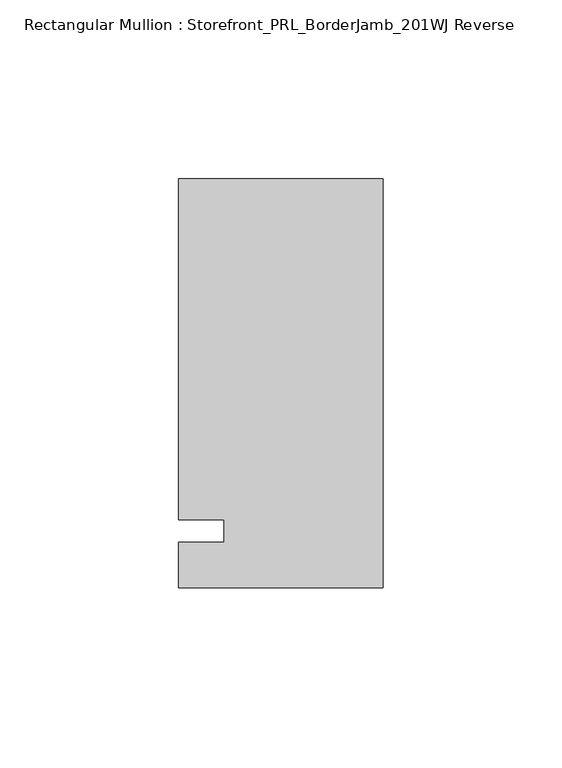
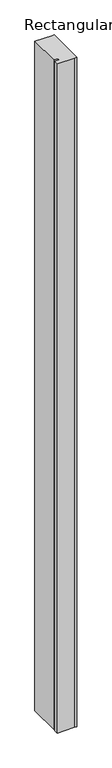
"""IFC4 building model written with IfcOpenShell, lengths in millimetres: member geometry, Rectangular Mullion : Storefront_PRL_BorderJamb_201WJ Reverse."""

import ifcopenshell
import ifcopenshell.guid

model = None  # the IFC model being written
_history = None  # IfcOwnerHistory: only IFC2X3 demands one
_inside = {}  # id of a spatial element -> (the spatial element, [elements in it])
_under = {}  # id of a project, library or spatial element -> (it, [spatial elements below it])
_declared = {}  # id of a project -> (the project, [libraries it declares])
_typed = {}  # id of a type object -> (the type object, [elements of that type])
_made_of = {}  # id of a material, layer set ... -> (it, [elements and type objects made of it])


def new_model(schema):
    """Start an empty IFC model of exactly this schema.

    Asked for "IFC4X3", IfcOpenShell would pick the latest addendum, in which some entities
    have other attributes; the version numbers below select the first issue.
    IFC2X3 requires an IfcOwnerHistory on every rooted entity: one is made here for all.
    """
    global model, _history
    if schema == "IFC4X3":
        model = ifcopenshell.file(schema_version=(4, 3, 0, 0))
    else:
        model = ifcopenshell.file(schema=schema)
    _inside.clear()
    _under.clear()
    _declared.clear()
    _typed.clear()
    _made_of.clear()
    _history = None
    if model.schema == "IFC2X3":
        org = make("IfcOrganization", Name="unknown")
        user = make(
            "IfcPersonAndOrganization",
            ThePerson=make("IfcPerson", FamilyName="unknown"),
            TheOrganization=org,
        )
        app = make(
            "IfcApplication",
            ApplicationDeveloper=org,
            Version="unknown",
            ApplicationFullName="unknown",
            ApplicationIdentifier="unknown",
        )
        _history = make(
            "IfcOwnerHistory",
            OwningUser=user,
            OwningApplication=app,
            ChangeAction="ADDED",
            CreationDate=0,
        )
    return model


def make(cls, **values):
    """One entity of the class cls with the attributes given. An attribute that is None is left unset."""
    return model.create_entity(
        cls, **{name: value for name, value in values.items() if value is not None}
    )


def rooted(cls, **values):
    """An entity with a GlobalId (a new one), such as an element, a storey or a relation."""
    return make(cls, GlobalId=ifcopenshell.guid.new(), OwnerHistory=_history, **values)


def si_unit(unit_type, name, prefix=None):
    """IfcSIUnit, for example si_unit("LENGTHUNIT", "METRE", prefix="MILLI")."""
    return make("IfcSIUnit", UnitType=unit_type, Prefix=prefix, Name=name)


def assignment(units):
    """IfcUnitAssignment: the units of a project."""
    return None if units is None else make("IfcUnitAssignment", Units=units)


def point(xyz):
    """IfcCartesianPoint."""
    return None if xyz is None else make("IfcCartesianPoint", Coordinates=xyz)


def direction(xyz):
    """IfcDirection."""
    return None if xyz is None else make("IfcDirection", DirectionRatios=xyz)


def frame(location, z_axis=None, x_axis=None):
    """IfcAxis2Placement3D, a coordinate frame: its origin and axes. An axis left out is left unset."""
    return make(
        "IfcAxis2Placement3D",
        Location=point(location),
        Axis=direction(z_axis),
        RefDirection=direction(x_axis),
    )


def origin():
    """The frame at (0, 0, 0) with its axes left unset."""
    return frame((0.0, 0.0, 0.0))


def place(relative_to, where):
    """IfcLocalPlacement: puts the frame where relative to a parent placement (None: the world)."""
    return make(
        "IfcLocalPlacement", PlacementRelTo=relative_to, RelativePlacement=where
    )


def context(
    kind, dimensions, precision=None, world=None, true_north=None, identifier=None
):
    """IfcGeometricRepresentationContext, for example the 3D "Model" context."""
    return make(
        "IfcGeometricRepresentationContext",
        ContextIdentifier=identifier,
        ContextType=kind,
        CoordinateSpaceDimension=dimensions,
        Precision=precision,
        WorldCoordinateSystem=world,
        TrueNorth=true_north,
    )


def project(units=None, contexts=None):
    """IfcProject with its units and contexts."""
    return rooted(
        "IfcProject",
        Name="project",
        RepresentationContexts=contexts,
        UnitsInContext=assignment(units),
    )


def spatial(cls, under=None, at=None, **own):
    """A site, building, storey or space (cls), placed at a placement, below another one or the project."""
    s = rooted(cls, ObjectPlacement=at, **own)
    if under is not None:
        _under.setdefault(under.id(), (under, []))[1].append(s)
    return s


def polyline(points):
    """IfcPolyline through the points."""
    return make("IfcPolyline", Points=[point(p) for p in points])


def outline(outer, holes=None, kind="AREA"):
    """IfcArbitraryClosedProfileDef: a profile drawn as a closed curve; with holes, ...WithVoids."""
    if holes is None:
        return make("IfcArbitraryClosedProfileDef", ProfileType=kind, OuterCurve=outer)
    return make(
        "IfcArbitraryProfileDefWithVoids",
        ProfileType=kind,
        OuterCurve=outer,
        InnerCurves=holes,
    )


def extrude(swept, where, along, depth):
    """IfcExtrudedAreaSolid: the profile swept, set in the frame where, extruded along a direction by depth."""
    return make(
        "IfcExtrudedAreaSolid",
        SweptArea=swept,
        Position=where,
        ExtrudedDirection=direction(along),
        Depth=depth,
    )


def shape(context_of_items, identifier, shape_type, items):
    """IfcShapeRepresentation: the items that make up one representation, for example the "Body"."""
    return make(
        "IfcShapeRepresentation",
        ContextOfItems=context_of_items,
        RepresentationIdentifier=identifier,
        RepresentationType=shape_type,
        Items=items,
    )


def source(mapping_origin, context_of_items, identifier, shape_type, items):
    """IfcRepresentationMap: a shape defined once, which mapped items show again and again."""
    return make(
        "IfcRepresentationMap",
        MappingOrigin=mapping_origin,
        MappedRepresentation=shape(context_of_items, identifier, shape_type, items),
    )


def transform(
    local_origin,
    x_axis=None,
    y_axis=None,
    z_axis=None,
    scale=None,
    scale2=None,
    scale3=None,
    uniform=True,
):
    """IfcCartesianTransformationOperator3D, or its non-uniform kind. x_axis, y_axis, z_axis: its Axis1, 2, 3."""
    if uniform:
        return make(
            "IfcCartesianTransformationOperator3D",
            Axis1=direction(x_axis),
            Axis2=direction(y_axis),
            LocalOrigin=point(local_origin),
            Scale=scale,
            Axis3=direction(z_axis),
        )
    return make(
        "IfcCartesianTransformationOperator3DnonUniform",
        Axis1=direction(x_axis),
        Axis2=direction(y_axis),
        LocalOrigin=point(local_origin),
        Scale=scale,
        Axis3=direction(z_axis),
        Scale2=scale2,
        Scale3=scale3,
    )


def mapped(mapping_source, mapping_target):
    """IfcMappedItem: shows the shape of a source again, moved by a transform."""
    return make(
        "IfcMappedItem", MappingSource=mapping_source, MappingTarget=mapping_target
    )


def made_of(thing, what):
    """Note that an element or type object is made of a material, layer set ...; save() writes the relation."""
    if what is not None:
        _made_of.setdefault(what.id(), (what, []))[1].append(thing)
    return thing


def element(
    cls,
    number,
    at=None,
    inside=None,
    cuts=None,
    type_object=None,
    material=None,
    context=None,
    identifier="Body",
    shape_type=None,
    held_by="IfcProductDefinitionShape",
    body=None,
    shapes=None,
    **own,
):
    """One element of the class cls, such as IfcWall. Its Tag is "e" and its number.

    at: its placement. inside: the storey or other place that contains it. cuts: it is an
    opening in that element (IfcRelVoidsElement). A single representation is given by context,
    identifier, shape_type and body (its items); several are given by shapes. held_by: the class
    of the entity that holds the representations. save() writes the other relations.
    """
    e = rooted(cls, Tag="e%d" % number, ObjectPlacement=at, **own)
    if body is not None:
        shapes = [shape(context, identifier, shape_type, body)]
    if shapes is not None:
        e.Representation = make(held_by, Representations=shapes)
    if inside is not None:
        _inside.setdefault(inside.id(), (inside, []))[1].append(e)
    if cuts is not None:
        rooted(
            "IfcRelVoidsElement", RelatingBuildingElement=cuts, RelatedOpeningElement=e
        )
    if type_object is not None:
        _typed.setdefault(type_object.id(), (type_object, []))[1].append(e)
    return made_of(e, material)


def aggregate(whole, parts):
    """IfcRelAggregates: a whole, such as a stair, and the parts it consists of."""
    return rooted("IfcRelAggregates", RelatingObject=whole, RelatedObjects=parts)


def save(model, path):
    """Write the relations noted so far, then the file.

    IfcRelAggregates (storeys below a building ...), IfcRelContainedInSpatialStructure (elements
    in a storey), IfcRelDefinesByType, IfcRelAssociatesMaterial and IfcRelDeclares: one each for
    every whole, place, type object, material and project.
    """
    for whole, parts in _under.values():
        aggregate(whole, parts)
    for where, things in _inside.values():
        rooted(
            "IfcRelContainedInSpatialStructure",
            RelatedElements=things,
            RelatingStructure=where,
        )
    for kind, things in _typed.values():
        rooted("IfcRelDefinesByType", RelatedObjects=things, RelatingType=kind)
    for what, things in _made_of.values():
        rooted("IfcRelAssociatesMaterial", RelatedObjects=things, RelatingMaterial=what)
    for by, libraries in _declared.values():
        rooted("IfcRelDeclares", RelatingContext=by, RelatedDefinitions=libraries)
    model.write(path)


def rectangular_mullion_storefront_prl_borderjamb_201wj_reverse_936af0cc(model_context):
    return source(origin(), model_context, "Body", "SweptSolid", [
        extrude(outline(polyline([(-44.45, 3.175), (-57.15, 3.175), (-57.15, 98.425), (-6.35, 98.425), (0.0, 98.425), (0.0, -15.875), (-7.3958824, -15.875), (-57.15, -15.875), (-57.15, -3.175), (-44.45, -3.175), (-44.45, 3.175)])), frame((0.0, 0.0, -2076.45), z_axis=(0.0, 0.0, 1.0), x_axis=(1.0, 0.0, 0.0)), (0.0, 0.0, 1.0), 2076.45),
    ])


if __name__ == "__main__":
    model = new_model("IFC4")
    model_context = context("Model", 3, world=origin())
    ifc_project = project(units=[si_unit("LENGTHUNIT", "METRE", prefix="MILLI")], contexts=[model_context])
    site = spatial("IfcSite", under=ifc_project)
    building = spatial("IfcBuilding", under=site)
    placement = place(None, origin())
    rectangular_mullion_storefront_prl_borderjamb_201wj_reverse_shape = rectangular_mullion_storefront_prl_borderjamb_201wj_reverse_936af0cc(model_context)
    element("IfcMember", 1, ObjectType="Rectangular Mullion : Storefront_PRL_BorderJamb_201WJ Reverse", at=placement, inside=building, context=model_context, shape_type="MappedRepresentation", body=[
        mapped(rectangular_mullion_storefront_prl_borderjamb_201wj_reverse_shape, transform((0.0, 0.0, 0.0), x_axis=(1.0, 0.0, 0.0), y_axis=(0.0, 1.0, 0.0), z_axis=(0.0, 0.0, 1.0))),
    ])
    save(model, "model.ifc")
